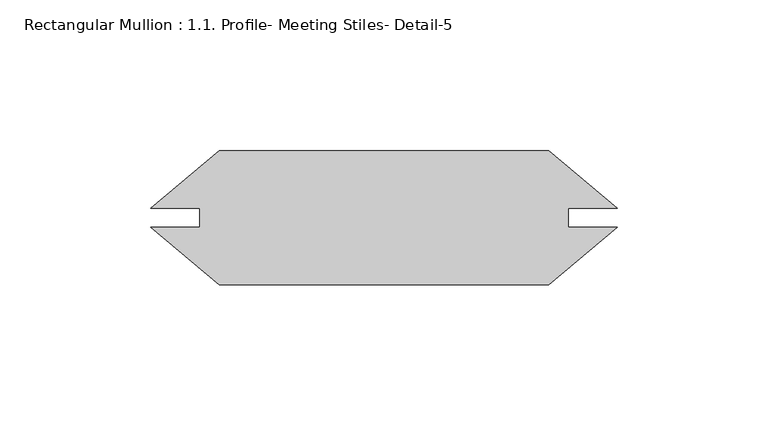
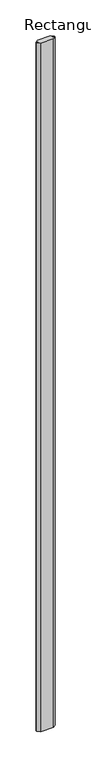
"""IFC4 building model written with IfcOpenShell, lengths in millimetres: member geometry, Rectangular Mullion : 1.1. Profile- Meeting Stiles- Detail-5."""

from ifc_helpers import new_model, si_unit, frame, origin, place, context, project, spatial, polyline, outline, extrude, source, transform, mapped, element, save


def rectangular_mullion_1_1_profile_meeting_stiles_detail_5_356952da(model_context):
    return source(origin(), model_context, "Body", "SweptSolid", [
        extrude(outline(polyline([(53.2916953, -22.225), (-56.0915872, -22.225), (-78.8099198, -3.1620555), (-62.5186175, -3.1620555), (-62.5186175, 3.1620555), (-78.8099198, 3.1620555), (-56.0915872, 22.225), (53.2916953, 22.225), (76.0100279, 3.1620555), (59.7314256, 3.1620555), (59.7314256, -3.1620555), (76.0100279, -3.1620555), (53.2916953, -22.225)])), frame((0.0, 0.0, -6096.0), z_axis=(0.0, 0.0, 1.0), x_axis=(1.0, 0.0, 0.0)), (0.0, 0.0, 1.0), 6096.0),
    ])


if __name__ == "__main__":
    model = new_model("IFC4")
    model_context = context("Model", 3, world=origin())
    ifc_project = project(units=[si_unit("LENGTHUNIT", "METRE", prefix="MILLI")], contexts=[model_context])
    site = spatial("IfcSite", under=ifc_project)
    building = spatial("IfcBuilding", under=site)
    placement = place(None, origin())
    rectangular_mullion_1_1_profile_meeting_stiles_detail_5_shape = rectangular_mullion_1_1_profile_meeting_stiles_detail_5_356952da(model_context)
    element("IfcMember", 1, ObjectType="Rectangular Mullion : 1.1. Profile- Meeting Stiles- Detail-5", at=placement, inside=building, context=model_context, shape_type="MappedRepresentation", body=[
        mapped(rectangular_mullion_1_1_profile_meeting_stiles_detail_5_shape, transform((0.0, 0.0, 0.0), x_axis=(1.0, 0.0, 0.0), y_axis=(0.0, 1.0, 0.0), z_axis=(0.0, 0.0, 1.0))),
    ])
    save(model, "model.ifc")
